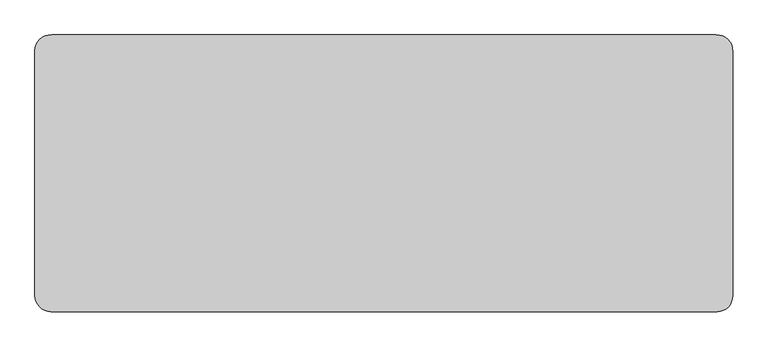
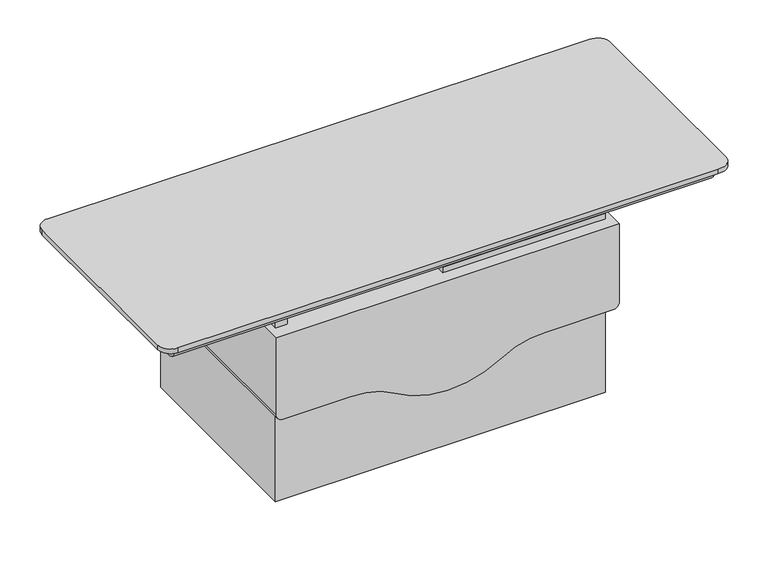
"""IFC4 building model written with IfcOpenShell, lengths in millimetres: proxy geometry."""

from ifc_helpers import new_model, si_unit, point, frame, frame_2d, origin, place, context, project, spatial, polyline, circle_curve, trimmed, segment, composite_curve, outline, extrude, source, transform, mapped, element, save


def specialty_equipment_d748d3a4(model_context):
    return source(origin(), model_context, "Body", "SweptSolid", [
        extrude(outline(polyline([(0.0, -668.0835), (0.0, 639.5085), (750.4134961, 639.5085), (750.4134961, -5.7964313), (699.6134961, -5.7964313), (699.6134961, -620.5754054), (750.4134961, -620.5754054), (750.4134961, -668.0835), (0.0, -668.0835)])), frame((0.0, -404.3907416, 0.0), z_axis=(0.0, 1.0, 0.0), x_axis=(0.0, 0.0, 1.0)), (0.0, 0.0, 1.0), 788.0806503),
        extrude(outline(composite_curve([segment(polyline([(401.1634961, 664.9085), (726.6082724, 664.9085), (726.6082724, -693.4835), (401.1634961, -693.4835)]), True, "CONTINUOUS"), segment(trimmed(circle_curve(frame_2d((401.1634961, -668.0835)), 25.4), [point((401.1634961, -693.4835))], [point((375.7634961, -668.0835))], False, "CARTESIAN"), True, "CONTINUOUS"), segment(polyline([(375.7634961, -668.0835), (375.7634961, -400.58975)]), True, "CONTINUOUS"), segment(trimmed(circle_curve(frame_2d((64.1276489, -389.5248929)), 311.8322183), [point((375.7634961, -400.58975))], [point((328.3165945, -223.8639942))], True, "CARTESIAN"), True, "CONTINUOUS"), segment(trimmed(circle_curve(frame_2d((663.8061001, -13.49375)), 395.9909697), [point((328.3165945, -223.8639942))], [point((328.3165945, 196.8764942))], False, "CARTESIAN"), True, "CONTINUOUS"), segment(trimmed(circle_curve(frame_2d((64.1276489, 362.5373929)), 311.8322183), [point((328.3165945, 196.8764942))], [point((375.7634961, 373.60225))], True, "CARTESIAN"), True, "CONTINUOUS"), segment(polyline([(375.7634961, 373.60225), (375.7634961, 639.5085)]), True, "CONTINUOUS"), segment(trimmed(circle_curve(frame_2d((401.1634961, 639.5085)), 25.4), [point((375.7634961, 639.5085))], [point((401.1634961, 664.9085))], False, "CARTESIAN"), True, "CONTINUOUS")], self_intersect=False)), frame((0.0, -454.6963312, 0.0), z_axis=(0.0, 1.0, 0.0), x_axis=(0.0, 0.0, 1.0)), (0.0, 0.0, 1.0), 891.54),
        extrude(outline(composite_curve([segment(trimmed(circle_curve(frame_2d((-386.996186, 793.0235183)), 43.597808), [point((-396.2241258, 750.4134961))], [point((-429.9603577, 800.4295168))], False, "CARTESIAN"), True, "CONTINUOUS"), segment(polyline([(-429.9603577, 800.4295168), (414.5645468, 800.4295168)]), True, "CONTINUOUS"), segment(trimmed(circle_curve(frame_2d((371.6003751, 793.0235183)), 43.597808), [point((414.5645468, 800.4295168))], [point((380.8283149, 750.4134961))], False, "CARTESIAN"), True, "CONTINUOUS"), segment(polyline([(380.8283149, 750.4134961), (-396.2241258, 750.4134961)]), True, "CONTINUOUS")], self_intersect=False)), frame((-1081.3549524, 0.0, 0.0), z_axis=(1.0, 0.0, 0.0), x_axis=(0.0, 1.0, 0.0)), (0.0, 0.0, 1.0), 2136.9053578),
        extrude(outline(composite_curve([segment(trimmed(circle_curve(frame_2d((-1084.1254054, 386.1192704)), 50.8), [point((-1134.9254054, 386.1192704))], [point((-1081.3549524, 436.8436688))], False, "CARTESIAN"), True, "CONTINUOUS"), segment(polyline([(-1081.3549524, 436.8436688), (1062.0362799, 436.8436688)]), True, "CONTINUOUS"), segment(trimmed(circle_curve(frame_2d((1064.7726278, 386.1174191)), 50.8), [point((1062.0362799, 436.8436688))], [point((1115.5145946, 383.6899087))], False, "CARTESIAN"), True, "CONTINUOUS"), segment(polyline([(1115.5145946, 383.6899087), (1115.5145946, -404.3907416)]), True, "CONTINUOUS"), segment(trimmed(circle_curve(frame_2d((1064.7157272, -404.7299738)), 50.8), [point((1115.5145946, -404.3907416))], [point((1055.5504054, -454.6963312))], False, "CARTESIAN"), True, "CONTINUOUS"), segment(polyline([(1055.5504054, -454.6963312), (-1084.1254054, -454.6963312)]), True, "CONTINUOUS"), segment(trimmed(circle_curve(frame_2d((-1084.1254054, -403.8963312)), 50.8), [point((-1084.1254054, -454.6963312))], [point((-1134.9254054, -403.8963312))], False, "CARTESIAN"), True, "CONTINUOUS"), segment(polyline([(-1134.9254054, -403.8963312), (-1134.9254054, 386.1192704)]), True, "CONTINUOUS")], self_intersect=False)), frame((0.0, 0.0, 800.4295168), z_axis=(0.0, 0.0, 1.0), x_axis=(1.0, 0.0, 0.0)), (0.0, 0.0, 1.0), 19.4824832),
    ])


if __name__ == "__main__":
    model = new_model("IFC4")
    model_context = context("Model", 3, world=origin())
    ifc_project = project(units=[si_unit("LENGTHUNIT", "METRE", prefix="MILLI")], contexts=[model_context])
    site = spatial("IfcSite", under=ifc_project)
    building = spatial("IfcBuilding", under=site)
    placement = place(None, origin())
    specialty_equipment_shape = specialty_equipment_d748d3a4(model_context)
    element("IfcBuildingElementProxy", 1, Name="Specialty Equipment", at=placement, inside=building, context=model_context, shape_type="MappedRepresentation", body=[
        mapped(specialty_equipment_shape, transform((0.0, 0.0, 0.0), x_axis=(1.0, 0.0, 0.0), y_axis=(0.0, 1.0, 0.0), z_axis=(0.0, 0.0, 1.0))),
    ])
    save(model, "model.ifc")
